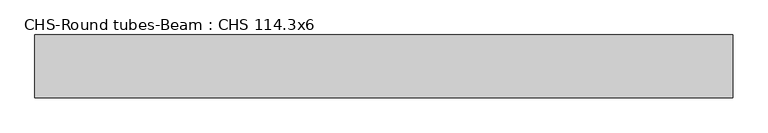
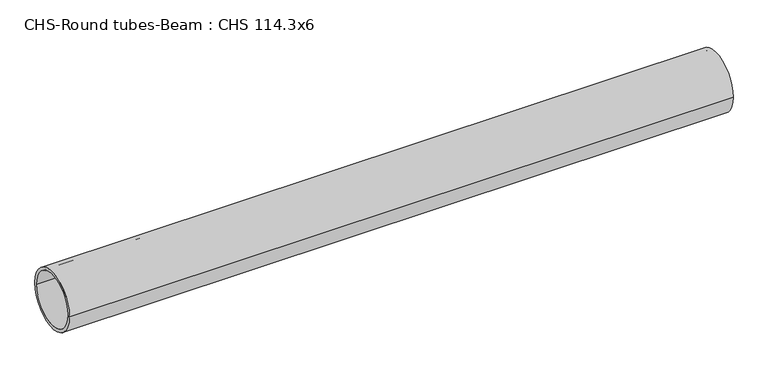
"""IFC4 building model written with IfcOpenShell, lengths in millimetres: beam geometry, CHS-Round tubes-Beam : CHS 114.3x6."""

from ifc_helpers import new_model, si_unit, point, frame, origin, origin_2d, place, context, project, spatial, circle_curve, trimmed, segment, composite_curve, outline, extrude, source, transform, mapped, element, save


def chs_round_tubes_beam_chs_114_3x6_01614555(model_context):
    return source(origin(), model_context, "Body", "SweptSolid", [
        extrude(outline(composite_curve([segment(trimmed(circle_curve(origin_2d(), 57.15), [point((57.15, 0.0))], [point((-57.15, 0.0))], False, "CARTESIAN"), True, "CONTINUOUS"), segment(trimmed(circle_curve(origin_2d(), 57.15), [point((-57.15, 0.0))], [point((57.15, 0.0))], False, "CARTESIAN"), True, "CONTINUOUS")], self_intersect=False), holes=[composite_curve([segment(trimmed(circle_curve(origin_2d(), 51.15), [point((51.15, 0.0))], [point((-51.15, 0.0))], True, "CARTESIAN"), True, "CONTINUOUS"), segment(trimmed(circle_curve(origin_2d(), 51.15), [point((-51.15, 0.0))], [point((51.15, 0.0))], True, "CARTESIAN"), True, "CONTINUOUS")], self_intersect=False)]), frame((-629.8319762, 0.0, 0.0), z_axis=(1.0, 0.0, 0.0), x_axis=(0.0, 1.0, 0.0)), (0.0, 0.0, 1.0), 1268.9524807),
    ])


if __name__ == "__main__":
    model = new_model("IFC4")
    model_context = context("Model", 3, world=origin())
    ifc_project = project(units=[si_unit("LENGTHUNIT", "METRE", prefix="MILLI")], contexts=[model_context])
    site = spatial("IfcSite", under=ifc_project)
    building = spatial("IfcBuilding", under=site)
    placement = place(None, origin())
    chs_round_tubes_beam_chs_114_3x6_shape = chs_round_tubes_beam_chs_114_3x6_01614555(model_context)
    element("IfcBeam", 1, ObjectType="CHS-Round tubes-Beam : CHS 114.3x6", at=placement, inside=building, context=model_context, shape_type="MappedRepresentation", body=[
        mapped(chs_round_tubes_beam_chs_114_3x6_shape, transform((0.0, 0.0, 0.0), x_axis=(1.0, 0.0, 0.0), y_axis=(0.0, 1.0, 0.0), z_axis=(0.0, 0.0, 1.0))),
    ])
    save(model, "model.ifc")
